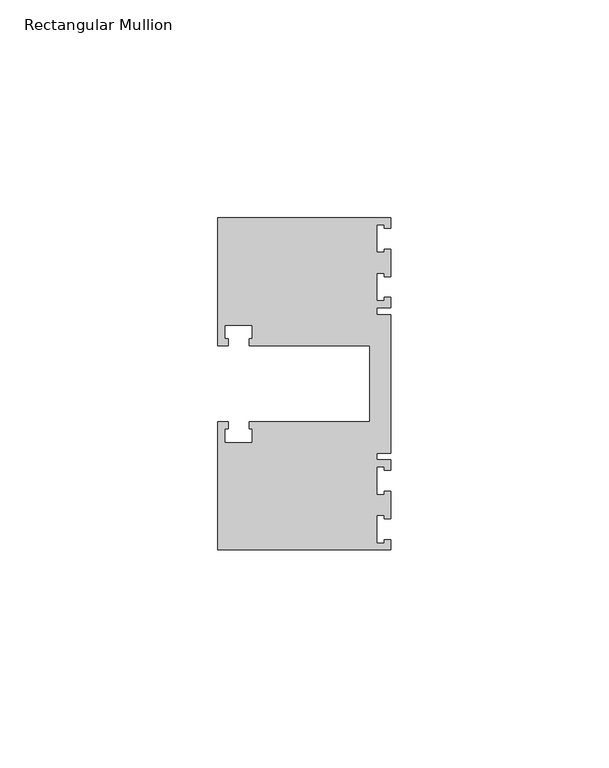
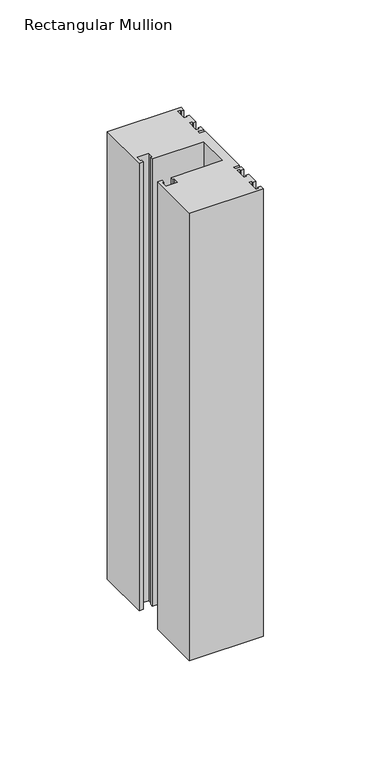
"""IFC4 building model written with IfcOpenShell, lengths in millimetres: member geometry, Rectangular Mullion."""

import ifcopenshell
import ifcopenshell.guid

model = None  # the IFC model being written
_history = None  # IfcOwnerHistory: only IFC2X3 demands one
_inside = {}  # id of a spatial element -> (the spatial element, [elements in it])
_under = {}  # id of a project, library or spatial element -> (it, [spatial elements below it])
_declared = {}  # id of a project -> (the project, [libraries it declares])
_typed = {}  # id of a type object -> (the type object, [elements of that type])
_made_of = {}  # id of a material, layer set ... -> (it, [elements and type objects made of it])


def new_model(schema):
    """Start an empty IFC model of exactly this schema.

    Asked for "IFC4X3", IfcOpenShell would pick the latest addendum, in which some entities
    have other attributes; the version numbers below select the first issue.
    IFC2X3 requires an IfcOwnerHistory on every rooted entity: one is made here for all.
    """
    global model, _history
    if schema == "IFC4X3":
        model = ifcopenshell.file(schema_version=(4, 3, 0, 0))
    else:
        model = ifcopenshell.file(schema=schema)
    _inside.clear()
    _under.clear()
    _declared.clear()
    _typed.clear()
    _made_of.clear()
    _history = None
    if model.schema == "IFC2X3":
        org = make("IfcOrganization", Name="unknown")
        user = make(
            "IfcPersonAndOrganization",
            ThePerson=make("IfcPerson", FamilyName="unknown"),
            TheOrganization=org,
        )
        app = make(
            "IfcApplication",
            ApplicationDeveloper=org,
            Version="unknown",
            ApplicationFullName="unknown",
            ApplicationIdentifier="unknown",
        )
        _history = make(
            "IfcOwnerHistory",
            OwningUser=user,
            OwningApplication=app,
            ChangeAction="ADDED",
            CreationDate=0,
        )
    return model


def make(cls, **values):
    """One entity of the class cls with the attributes given. An attribute that is None is left unset."""
    return model.create_entity(
        cls, **{name: value for name, value in values.items() if value is not None}
    )


def rooted(cls, **values):
    """An entity with a GlobalId (a new one), such as an element, a storey or a relation."""
    return make(cls, GlobalId=ifcopenshell.guid.new(), OwnerHistory=_history, **values)


def si_unit(unit_type, name, prefix=None):
    """IfcSIUnit, for example si_unit("LENGTHUNIT", "METRE", prefix="MILLI")."""
    return make("IfcSIUnit", UnitType=unit_type, Prefix=prefix, Name=name)


def assignment(units):
    """IfcUnitAssignment: the units of a project."""
    return None if units is None else make("IfcUnitAssignment", Units=units)


def point(xyz):
    """IfcCartesianPoint."""
    return None if xyz is None else make("IfcCartesianPoint", Coordinates=xyz)


def direction(xyz):
    """IfcDirection."""
    return None if xyz is None else make("IfcDirection", DirectionRatios=xyz)


def frame(location, z_axis=None, x_axis=None):
    """IfcAxis2Placement3D, a coordinate frame: its origin and axes. An axis left out is left unset."""
    return make(
        "IfcAxis2Placement3D",
        Location=point(location),
        Axis=direction(z_axis),
        RefDirection=direction(x_axis),
    )


def origin():
    """The frame at (0, 0, 0) with its axes left unset."""
    return frame((0.0, 0.0, 0.0))


def place(relative_to, where):
    """IfcLocalPlacement: puts the frame where relative to a parent placement (None: the world)."""
    return make(
        "IfcLocalPlacement", PlacementRelTo=relative_to, RelativePlacement=where
    )


def context(
    kind, dimensions, precision=None, world=None, true_north=None, identifier=None
):
    """IfcGeometricRepresentationContext, for example the 3D "Model" context."""
    return make(
        "IfcGeometricRepresentationContext",
        ContextIdentifier=identifier,
        ContextType=kind,
        CoordinateSpaceDimension=dimensions,
        Precision=precision,
        WorldCoordinateSystem=world,
        TrueNorth=true_north,
    )


def project(units=None, contexts=None):
    """IfcProject with its units and contexts."""
    return rooted(
        "IfcProject",
        Name="project",
        RepresentationContexts=contexts,
        UnitsInContext=assignment(units),
    )


def spatial(cls, under=None, at=None, **own):
    """A site, building, storey or space (cls), placed at a placement, below another one or the project."""
    s = rooted(cls, ObjectPlacement=at, **own)
    if under is not None:
        _under.setdefault(under.id(), (under, []))[1].append(s)
    return s


def polyline(points):
    """IfcPolyline through the points."""
    return make("IfcPolyline", Points=[point(p) for p in points])


def outline(outer, holes=None, kind="AREA"):
    """IfcArbitraryClosedProfileDef: a profile drawn as a closed curve; with holes, ...WithVoids."""
    if holes is None:
        return make("IfcArbitraryClosedProfileDef", ProfileType=kind, OuterCurve=outer)
    return make(
        "IfcArbitraryProfileDefWithVoids",
        ProfileType=kind,
        OuterCurve=outer,
        InnerCurves=holes,
    )


def extrude(swept, where, along, depth):
    """IfcExtrudedAreaSolid: the profile swept, set in the frame where, extruded along a direction by depth."""
    return make(
        "IfcExtrudedAreaSolid",
        SweptArea=swept,
        Position=where,
        ExtrudedDirection=direction(along),
        Depth=depth,
    )


def shape(context_of_items, identifier, shape_type, items):
    """IfcShapeRepresentation: the items that make up one representation, for example the "Body"."""
    return make(
        "IfcShapeRepresentation",
        ContextOfItems=context_of_items,
        RepresentationIdentifier=identifier,
        RepresentationType=shape_type,
        Items=items,
    )


def source(mapping_origin, context_of_items, identifier, shape_type, items):
    """IfcRepresentationMap: a shape defined once, which mapped items show again and again."""
    return make(
        "IfcRepresentationMap",
        MappingOrigin=mapping_origin,
        MappedRepresentation=shape(context_of_items, identifier, shape_type, items),
    )


def transform(
    local_origin,
    x_axis=None,
    y_axis=None,
    z_axis=None,
    scale=None,
    scale2=None,
    scale3=None,
    uniform=True,
):
    """IfcCartesianTransformationOperator3D, or its non-uniform kind. x_axis, y_axis, z_axis: its Axis1, 2, 3."""
    if uniform:
        return make(
            "IfcCartesianTransformationOperator3D",
            Axis1=direction(x_axis),
            Axis2=direction(y_axis),
            LocalOrigin=point(local_origin),
            Scale=scale,
            Axis3=direction(z_axis),
        )
    return make(
        "IfcCartesianTransformationOperator3DnonUniform",
        Axis1=direction(x_axis),
        Axis2=direction(y_axis),
        LocalOrigin=point(local_origin),
        Scale=scale,
        Axis3=direction(z_axis),
        Scale2=scale2,
        Scale3=scale3,
    )


def mapped(mapping_source, mapping_target):
    """IfcMappedItem: shows the shape of a source again, moved by a transform."""
    return make(
        "IfcMappedItem", MappingSource=mapping_source, MappingTarget=mapping_target
    )


def made_of(thing, what):
    """Note that an element or type object is made of a material, layer set ...; save() writes the relation."""
    if what is not None:
        _made_of.setdefault(what.id(), (what, []))[1].append(thing)
    return thing


def element(
    cls,
    number,
    at=None,
    inside=None,
    cuts=None,
    type_object=None,
    material=None,
    context=None,
    identifier="Body",
    shape_type=None,
    held_by="IfcProductDefinitionShape",
    body=None,
    shapes=None,
    **own,
):
    """One element of the class cls, such as IfcWall. Its Tag is "e" and its number.

    at: its placement. inside: the storey or other place that contains it. cuts: it is an
    opening in that element (IfcRelVoidsElement). A single representation is given by context,
    identifier, shape_type and body (its items); several are given by shapes. held_by: the class
    of the entity that holds the representations. save() writes the other relations.
    """
    e = rooted(cls, Tag="e%d" % number, ObjectPlacement=at, **own)
    if body is not None:
        shapes = [shape(context, identifier, shape_type, body)]
    if shapes is not None:
        e.Representation = make(held_by, Representations=shapes)
    if inside is not None:
        _inside.setdefault(inside.id(), (inside, []))[1].append(e)
    if cuts is not None:
        rooted(
            "IfcRelVoidsElement", RelatingBuildingElement=cuts, RelatedOpeningElement=e
        )
    if type_object is not None:
        _typed.setdefault(type_object.id(), (type_object, []))[1].append(e)
    return made_of(e, material)


def aggregate(whole, parts):
    """IfcRelAggregates: a whole, such as a stair, and the parts it consists of."""
    return rooted("IfcRelAggregates", RelatingObject=whole, RelatedObjects=parts)


def save(model, path):
    """Write the relations noted so far, then the file.

    IfcRelAggregates (storeys below a building ...), IfcRelContainedInSpatialStructure (elements
    in a storey), IfcRelDefinesByType, IfcRelAssociatesMaterial and IfcRelDeclares: one each for
    every whole, place, type object, material and project.
    """
    for whole, parts in _under.values():
        aggregate(whole, parts)
    for where, things in _inside.values():
        rooted(
            "IfcRelContainedInSpatialStructure",
            RelatedElements=things,
            RelatingStructure=where,
        )
    for kind, things in _typed.values():
        rooted("IfcRelDefinesByType", RelatedObjects=things, RelatingType=kind)
    for what, things in _made_of.values():
        rooted("IfcRelAssociatesMaterial", RelatedObjects=things, RelatingMaterial=what)
    for by, libraries in _declared.values():
        rooted("IfcRelDeclares", RelatingContext=by, RelatedDefinitions=libraries)
    model.write(path)


def rectangular_mullion_183a74fd(model_context):
    return source(origin(), model_context, "Body", "SweptSolid", [
        extrude(outline(polyline([(0.0, 38.1), (0.0, 35.71875), (-1.4999946, 35.71875), (-1.4999946, 36.5125), (-3.175, 36.5125), (-3.175, 30.1625), (-1.4999946, 30.1625), (-1.4999946, 30.95625), (0.0, 30.95625), (0.0, 24.60625), (-1.4999946, 24.60625), (-1.4999946, 25.4), (-3.175, 25.4), (-3.175, 19.05), (-1.4999946, 19.05), (-1.4999946, 19.84375), (0.0, 19.84375), (0.0, 17.4625), (-3.175, 17.4625), (-3.175, 15.875), (0.0, 15.875), (0.0, -15.875), (-3.175, -15.875), (-3.175, -17.4625), (0.0, -17.4625), (0.0, -19.84375), (-1.4999946, -19.84375), (-1.4999946, -19.05), (-3.175, -19.05), (-3.175, -25.4), (-1.4999946, -25.4), (-1.4999946, -24.60625), (0.0, -24.60625), (0.0, -30.95625), (-1.4999946, -30.95625), (-1.4999946, -30.1625), (-3.175, -30.1625), (-3.175, -36.5125), (-1.4999946, -36.5125), (-1.4999946, -35.71875), (0.0, -35.71875), (0.0, -38.1), (-39.6875, -38.1), (-39.6875, -8.73125), (-37.30625, -8.73125), (-37.30625, -10.31875), (-38.1, -10.31875), (-38.1, -13.49375), (-31.75, -13.49375), (-31.75, -10.31875), (-32.54375, -10.31875), (-32.54375, -8.73125), (-4.8585733, -8.73125), (-4.8585733, 8.73125), (-32.54375, 8.73125), (-32.54375, 10.31875), (-31.75, 10.31875), (-31.75, 13.49375), (-38.1, 13.49375), (-38.1, 10.31875), (-37.30625, 10.31875), (-37.30625, 8.73125), (-39.6875, 8.73125), (-39.6875, 38.1), (0.0, 38.1)])), frame((0.0, 0.0, -254.0), z_axis=(0.0, 0.0, 1.0), x_axis=(1.0, 0.0, 0.0)), (0.0, 0.0, 1.0), 254.0),
    ])


if __name__ == "__main__":
    model = new_model("IFC4")
    model_context = context("Model", 3, world=origin())
    ifc_project = project(units=[si_unit("LENGTHUNIT", "METRE", prefix="MILLI")], contexts=[model_context])
    site = spatial("IfcSite", under=ifc_project)
    building = spatial("IfcBuilding", under=site)
    placement = place(None, origin())
    rectangular_mullion_shape = rectangular_mullion_183a74fd(model_context)
    element("IfcMember", 1, ObjectType="Rectangular Mullion", at=placement, inside=building, context=model_context, shape_type="MappedRepresentation", body=[
        mapped(rectangular_mullion_shape, transform((0.0, 0.0, 0.0), x_axis=(1.0, 0.0, 0.0), y_axis=(0.0, 1.0, 0.0), z_axis=(0.0, 0.0, 1.0))),
    ])
    save(model, "model.ifc")
